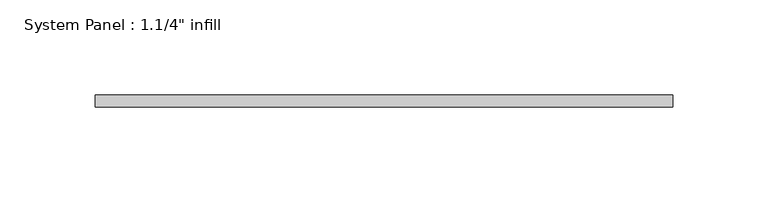
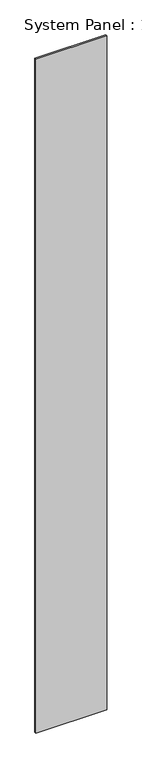
"""IFC4 building model written with IfcOpenShell, lengths in millimetres: plate geometry."""

from ifc_helpers import new_model, si_unit, origin, origin_with_axes, place, context, project, spatial, polyline, outline, extrude, source, transform, mapped, element, save


def plate_d909fd31(model_context):
    return source(origin(), model_context, "Body", "SweptSolid", [
        extrude(outline(polyline([(151.7644446, -6.2507813), (-151.7644446, -6.2507813), (-151.7644446, 0.0992187), (151.7644446, 0.0992187), (151.7644446, -6.2507813)])), origin_with_axes(), (0.0, 0.0, 1.0), 3048.0),
    ])


if __name__ == "__main__":
    model = new_model("IFC4")
    model_context = context("Model", 3, world=origin())
    ifc_project = project(units=[si_unit("LENGTHUNIT", "METRE", prefix="MILLI")], contexts=[model_context])
    site = spatial("IfcSite", under=ifc_project)
    building = spatial("IfcBuilding", under=site)
    placement = place(None, origin())
    plate_shape = plate_d909fd31(model_context)
    element("IfcPlate", 1, ObjectType="System Panel : 1.1/4\" infill", at=placement, inside=building, context=model_context, shape_type="MappedRepresentation", body=[
        mapped(plate_shape, transform((0.0, 0.0, 0.0), x_axis=(1.0, 0.0, 0.0), y_axis=(0.0, 1.0, 0.0), z_axis=(0.0, 0.0, 1.0))),
    ])
    save(model, "model.ifc")
